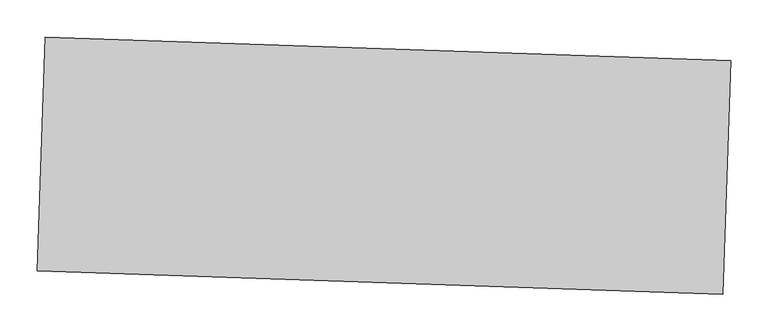
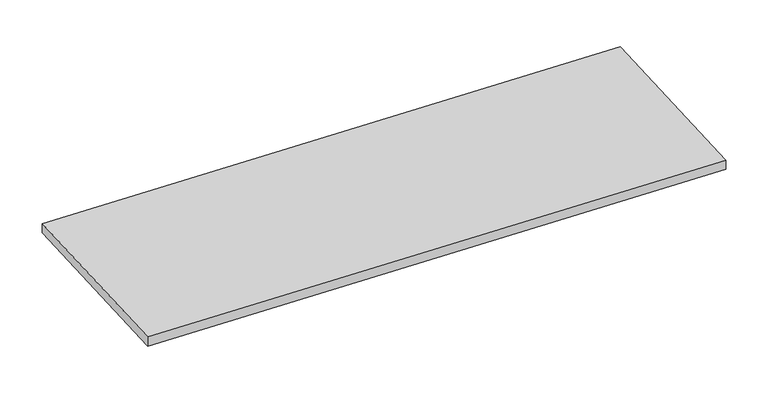
"""IFC4 building model written with IfcOpenShell, lengths in millimetres: proxy geometry."""

from ifc_helpers import new_model, si_unit, frame, origin, place, context, project, spatial, polyline, outline, extrude, source, transform, mapped, element, save


def generic_models_0ba71afa(model_context):
    return source(origin(), model_context, "Body", "SweptSolid", [
        extrude(outline(polyline([(34376.5594579, -14828.0859518), (34365.8803611, -15140.1412157), (33452.015333, -15108.8670977), (33462.6944299, -14796.8118337), (34376.5594579, -14828.0859518)])), frame((0.0, 0.0, 2976.6465502), z_axis=(0.0, 0.0, 1.0), x_axis=(1.0, 0.0, 0.0)), (0.0, 0.0, 1.0), 15.875),
    ])


if __name__ == "__main__":
    model = new_model("IFC4")
    model_context = context("Model", 3, world=origin())
    ifc_project = project(units=[si_unit("LENGTHUNIT", "METRE", prefix="MILLI")], contexts=[model_context])
    site = spatial("IfcSite", under=ifc_project)
    building = spatial("IfcBuilding", under=site)
    placement = place(None, origin())
    generic_models_shape = generic_models_0ba71afa(model_context)
    element("IfcBuildingElementProxy", 1, Name="Generic Models", at=placement, inside=building, context=model_context, shape_type="MappedRepresentation", body=[
        mapped(generic_models_shape, transform((0.0, 0.0, 0.0), x_axis=(1.0, 0.0, 0.0), y_axis=(0.0, 1.0, 0.0), z_axis=(0.0, 0.0, 1.0))),
    ])
    save(model, "model.ifc")
